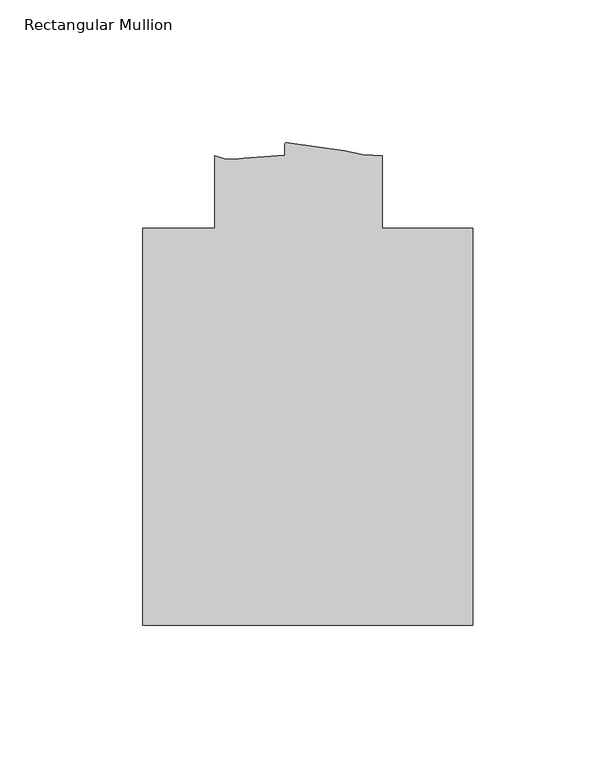
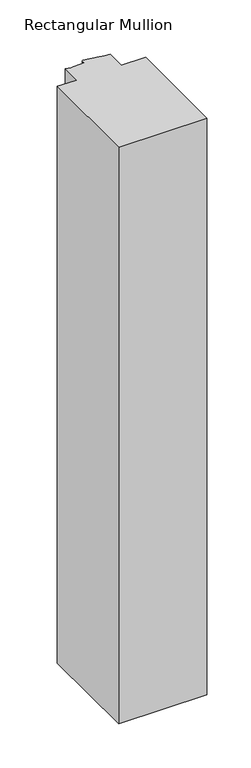
"""IFC4 building model written with IfcOpenShell, lengths in millimetres: member geometry, Rectangular Mullion."""

from ifc_helpers import new_model, si_unit, frame, origin, place, context, project, spatial, polyline, circle_curve, source, transform, mapped, element, save
from ifc_brep_helpers import plane_surface, cylinder_surface, revolved_surface, advanced_brep


def rectangular_mullion_d5af33ea(model_context):
    return source(origin(), model_context, "Body", "AdvancedBrep", [
        advanced_brep(
        [(57.8957831, -183.6539062, 0.0), (57.8957831, -44.4708359, 0.0), (26.1457366, -44.4708359, 0.0), (26.1457366, -19.0708381, 0.0), (12.7631643, -17.2548727, 0.0), (-7.2154278, -14.4140588, 0.0), (-8.1451264, -15.1573765, 0.0), (-8.1451264, -18.9392032, 0.0), (-22.4768382, -19.8264022, 0.0), (-32.6151862, -19.0708359, 0.0), (-32.6151862, -44.4623588, 0.0), (-58.015073, -44.4623588, 0.0), (-58.015073, -183.6539062, 0.0), (57.8957831, -183.6539062, -799.8618795), (-58.015073, -183.6539062, -799.8618795), (-58.015073, -44.4623588, -799.8618795), (-32.6151862, -44.4623588, -799.8618795), (-32.6151862, -19.0708359, -799.8618795), (-22.4768382, -19.8264022, -799.8618795), (-8.1451264, -18.9392032, -799.8618795), (-8.1451264, -15.1573765, -799.8618795), (-7.2162535, -14.413873, -799.8618795), (12.7631643, -17.2548727, -799.8618795), (26.1457366, -19.0708381, -799.8618795), (26.1457366, -44.4708359, -799.8618795), (57.8957831, -44.4708359, -799.8618795)],
        [
            (0, 1),
            (1, 2),
            (2, 3),
            (3, 4, circle_curve(frame((25.2996773, 24.9129496, 0.0), z_axis=(0.0, 0.0, -1.0), x_axis=(0.0, -1.0, 0.0)), 43.9919242)),
            (4, 5, circle_curve(frame((20.5962346, 109.504891, 0.0), z_axis=(0.0, 0.0, -1.0), x_axis=(-0.21898678818963865, -0.975727824036184, 0.0)), 127.0015539)),
            (5, 6, circle_curve(frame((-7.3831264, -15.1573765, 0.0), z_axis=(0.0, 0.0, 1.0), x_axis=(1.0, 0.0, 0.0)), 0.762)),
            (6, 7),
            (7, 8),
            (8, 9, circle_curve(frame((-26.360246, -3.537756, 0.0), z_axis=(0.0, 0.0, -1.0), x_axis=(0.0, -1.0, 0.0)), 16.7451739)),
            (9, 10),
            (10, 11),
            (11, 12),
            (12, 0),
            (13, 14),
            (14, 15),
            (15, 16),
            (16, 17),
            (17, 18, circle_curve(frame((-26.360246, -3.537756, -799.8618795), z_axis=(0.0, 0.0, 1.0), x_axis=(0.0, -1.0, 0.0)), 16.7451739)),
            (18, 19),
            (19, 20),
            (20, 21, circle_curve(frame((-7.3831264, -15.1573765, -799.8618795), z_axis=(0.0, 0.0, -1.0), x_axis=(1.0, 0.0, 0.0)), 0.762)),
            (21, 22, circle_curve(frame((20.5962346, 109.504891, -799.8618795), z_axis=(0.0, 0.0, 1.0), x_axis=(-0.21898678818963865, -0.975727824036184, 0.0)), 127.0015539)),
            (22, 23, circle_curve(frame((25.2996773, 24.9129496, -799.8618795), z_axis=(0.0, 0.0, 1.0), x_axis=(0.0, -1.0, 0.0)), 43.9919242)),
            (23, 24),
            (24, 25),
            (25, 13),
            (0, 13),
            (25, 1),
            (24, 2),
            (23, 3),
            (22, 4),
            (21, 5),
            (20, 6),
            (19, 7),
            (18, 8),
            (17, 9),
            (16, 10),
            (15, 11),
            (14, 12),
        ],
        [
            plane_surface(frame((0.0, -192.5993405, 0.0), z_axis=(0.0, 0.0, 1.0), x_axis=(-1.0, 0.0, 0.0))),
            plane_surface(frame((0.0, -192.5993405, -799.8618795), z_axis=(0.0, 0.0, -1.0), x_axis=(-1.0, 0.0, 0.0))),
            plane_surface(frame((57.8957831, -183.6539062, 0.0), z_axis=(1.0, 0.0, 0.0), x_axis=(0.0, 0.0, -1.0))),
            plane_surface(frame((57.8957831, -44.4708359, 0.0), z_axis=(0.0, 1.0, 0.0), x_axis=(0.0, 0.0, -1.0))),
            plane_surface(frame((26.1457366, -44.4708359, 0.0), z_axis=(1.0, 0.0, 0.0), x_axis=(0.0, 0.0, -1.0))),
            revolved_surface(polyline([(25.2996773, -19.0789746, -799.8618795), (25.2996773, -19.0789746, 0.0)]), (25.2996773, 24.9129496, 0.0), (0.0, 0.0, -1.0)),
            revolved_surface(polyline([(-7.2154277836542775, -14.41405883606113, -799.8618795), (-7.2154277836542775, -14.41405883606113, 0.0)]), (20.5962346, 109.504891, 0.0), (0.0, 0.0, -1.0)),
            cylinder_surface(frame((-7.3831264, -15.1573765, 0.0), z_axis=(0.0, 0.0, 1.0), x_axis=(1.0, 0.0, 0.0)), 0.762),
            plane_surface(frame((-8.1451264, -15.1573765, 0.0), z_axis=(-1.0, 0.0, 0.0), x_axis=(0.0, 0.0, -1.0))),
            plane_surface(frame((-8.1451264, -18.9392032, 0.0), z_axis=(-0.06178632761888861, 0.9980893996628616, 0.0), x_axis=(0.0, 0.0, -1.0))),
            revolved_surface(polyline([(-26.360246, -20.2829299, -799.8618795), (-26.360246, -20.2829299, 0.0)]), (-26.360246, -3.537756, 0.0), (0.0, 0.0, -1.0)),
            plane_surface(frame((-32.6151862, -19.0708359, 0.0), z_axis=(-1.0, 0.0, 0.0), x_axis=(0.0, 0.0, -1.0))),
            plane_surface(frame((-32.6151862, -44.4623588, 0.0), z_axis=(0.0, 1.0, 0.0), x_axis=(0.0, 0.0, -1.0))),
            plane_surface(frame((-58.015073, -44.4623588, 0.0), z_axis=(-1.0, 0.0, 0.0), x_axis=(0.0, 0.0, -1.0))),
            plane_surface(frame((-58.015073, -183.6539062, 0.0), z_axis=(0.0, -1.0, 0.0), x_axis=(0.0, 0.0, -1.0))),
        ],
        [
            (0, [[1, 2, 3, 4, 5, 6, 7, 8, 9, 10, 11, 12, 13]]),
            (1, [[14, 15, 16, 17, 18, 19, 20, 21, 22, 23, 24, 25, 26]]),
            (2, [[-1, 27, -26, 28]]),
            (3, [[-2, -28, -25, 29]]),
            (4, [[-3, -29, -24, 30]]),
            (5, [[-4, -30, -23, 31]]),
            (6, [[-5, -31, -22, 32]]),
            (7, [[-6, -32, -21, 33]]),
            (8, [[-7, -33, -20, 34]]),
            (9, [[-8, -34, -19, 35]]),
            (10, [[-9, -35, -18, 36]]),
            (11, [[-10, -36, -17, 37]]),
            (12, [[-11, -37, -16, 38]]),
            (13, [[-12, -38, -15, 39]]),
            (14, [[-13, -39, -14, -27]]),
        ],
    ),
    ])


if __name__ == "__main__":
    model = new_model("IFC4")
    model_context = context("Model", 3, world=origin())
    ifc_project = project(units=[si_unit("LENGTHUNIT", "METRE", prefix="MILLI")], contexts=[model_context])
    site = spatial("IfcSite", under=ifc_project)
    building = spatial("IfcBuilding", under=site)
    placement = place(None, origin())
    rectangular_mullion_shape = rectangular_mullion_d5af33ea(model_context)
    element("IfcMember", 1, ObjectType="Rectangular Mullion", at=placement, inside=building, context=model_context, shape_type="MappedRepresentation", body=[
        mapped(rectangular_mullion_shape, transform((0.0, 0.0, 0.0), x_axis=(1.0, 0.0, 0.0), y_axis=(0.0, 1.0, 0.0), z_axis=(0.0, 0.0, 1.0))),
    ])
    save(model, "model.ifc")
